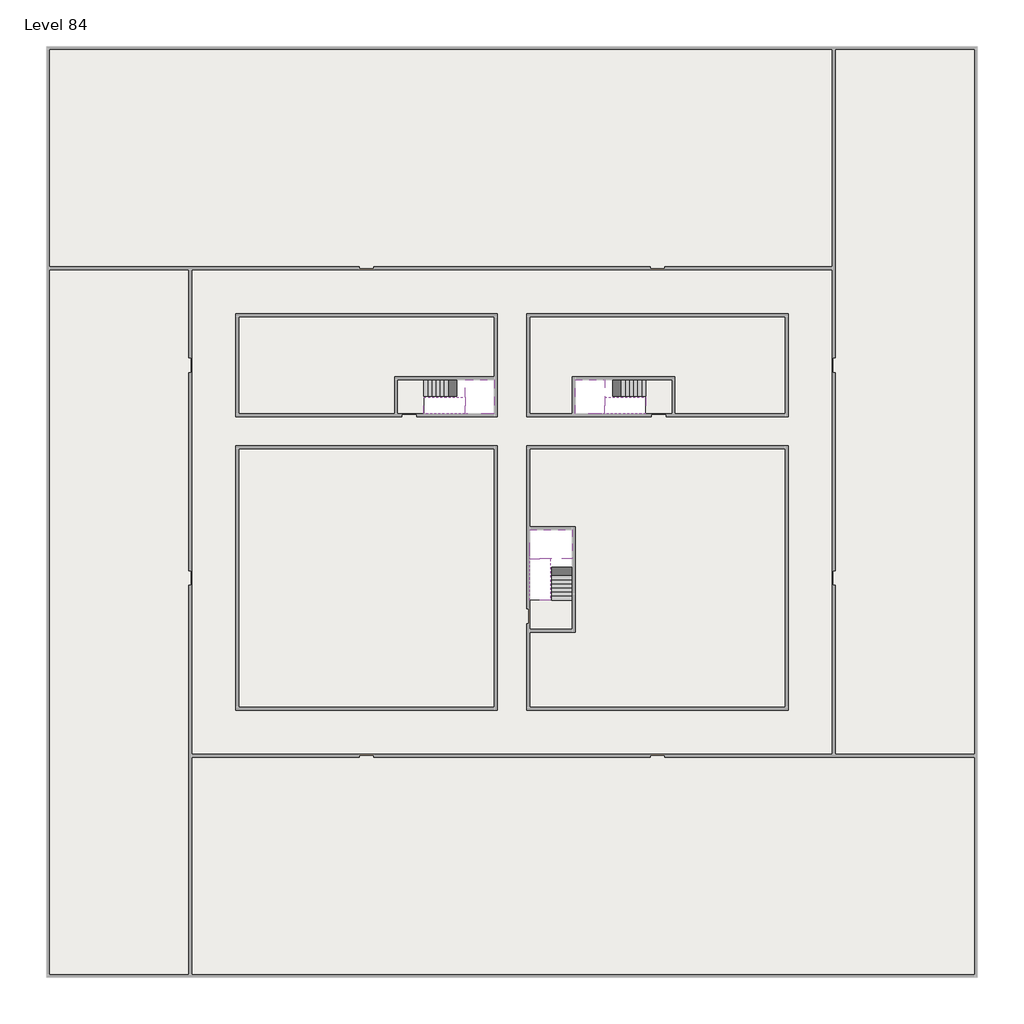
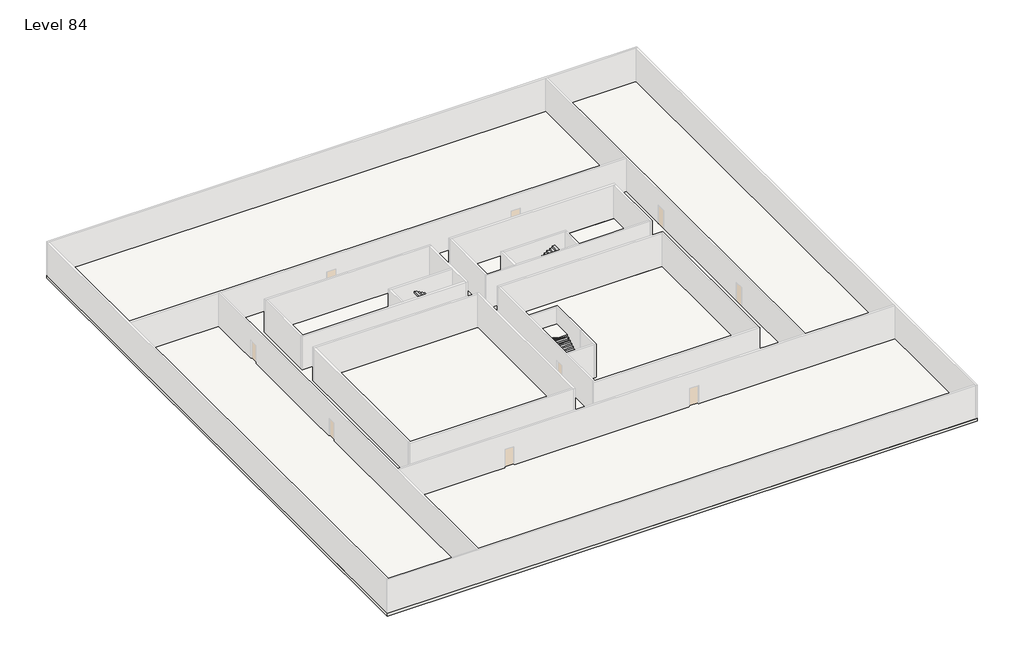
# One storey, part 2 of 2: 6 slabs, 6 stair flights.
"""IFC4 building model written with IfcOpenShell, lengths in millimetres."""

from ifc_helpers import new_model, si_unit, frame, origin, place, context, project, spatial, polyline, outline, extrude, faceted_brep, element, save

model = new_model("IFC4")

# Units and contexts
model_context = context("Model", 3, world=origin())
ifc_project = project(units=[si_unit("LENGTHUNIT", "METRE", prefix="MILLI")], contexts=[model_context])

# Site, building, storey
site = spatial("IfcSite", under=ifc_project)
building = spatial("IfcBuilding", under=site)
storey = spatial("IfcBuildingStorey", under=building, Name="Level 84", Elevation=315400.0)

# Slabs
placement = place(None, origin())
element("IfcSlab", 1, at=placement, inside=storey, context=model_context, shape_type="SweptSolid", body=[
    extrude(outline(polyline([(55890.1058784, -5518.09644), (55890.1058784, -68918.09644), (-7509.8941216, -68918.09644), (-7509.8941216, -5518.09644), (55890.1058784, -5518.09644)]), holes=[polyline([(22990.1058784, -23918.09644), (5590.1058784, -23918.09644), (5590.1058784, -30518.09644), (22990.1058784, -30518.09644), (22990.1058784, -23918.09644)]), polyline([(42990.1058784, -23918.09644), (25390.1058784, -23918.09644), (25390.1058784, -30518.09644), (42990.1058784, -30518.09644), (42990.1058784, -23918.09644)]), polyline([(25390.1058784, -50518.09644), (42790.1058784, -50518.09644), (42790.1058784, -32918.09644), (25390.1058784, -32918.09644), (25390.1058784, -50518.09644)]), polyline([(22990.1058784, -32918.09644), (5590.1058784, -32918.09644), (5590.1058784, -50518.09644), (22990.1058784, -50518.09644), (22990.1058784, -32918.09644)])]), frame((0.0, 0.0, 315100.0), z_axis=(0.0, 0.0, 1.0), x_axis=(1.0, 0.0, 0.0)), (0.0, 0.0, 1.0), 300.0),
])
element("IfcSlab", 2, at=placement, inside=storey, context=model_context, shape_type="SweptSolid", body=[
    extrude(outline(polyline([(22990.1058784, -23918.09644), (22990.1058784, -28018.09644), (16190.1058784, -28018.09644), (16190.1058784, -30518.09644), (5590.1058784, -30518.09644), (5590.1058784, -23918.09644), (22990.1058784, -23918.09644)])), frame((0.0, 0.0, 315100.0), z_axis=(0.0, 0.0, 1.0), x_axis=(1.0, 0.0, 0.0)), (0.0, 0.0, 1.0), 300.0),
    extrude(outline(polyline([(42790.1058784, -23918.09644), (42790.1058784, -30518.09644), (35290.1058784, -30518.09644), (35290.1058784, -28018.09644), (28490.1058784, -28018.09644), (28490.1058784, -30518.09644), (25390.1058784, -30518.09644), (25390.1058784, -23918.09644), (42790.1058784, -23918.09644)])), frame((0.0, 0.0, 315100.0), z_axis=(0.0, 0.0, 1.0), x_axis=(1.0, 0.0, 0.0)), (0.0, 0.0, 1.0), 300.0),
    extrude(outline(polyline([(22990.1058784, -32918.09644), (22990.1058784, -50518.09644), (5590.1058784, -50518.09644), (5590.1058784, -32918.09644), (22990.1058784, -32918.09644)])), frame((0.0, 0.0, 315100.0), z_axis=(0.0, 0.0, 1.0), x_axis=(1.0, 0.0, 0.0)), (0.0, 0.0, 1.0), 300.0),
    extrude(outline(polyline([(25390.1058784, -38218.09644), (25390.1058784, -32918.09644), (42790.1058784, -32918.09644), (42790.1058784, -50518.09644), (25390.1058784, -50518.09644), (25390.1058784, -45418.09644), (28490.1058784, -45418.09644), (28490.1058784, -38218.09644), (25390.1058784, -38218.09644)])), frame((0.0, 0.0, 315100.0), z_axis=(0.0, 0.0, 1.0), x_axis=(1.0, 0.0, 0.0)), (0.0, 0.0, 1.0), 300.0),
])
element("IfcSlab", 3, at=placement, inside=storey, context=model_context, shape_type="Brep", body=[
    faceted_brep([(26890.1058784, -40418.09644, 317300.0), (28290.1058784, -40418.09644, 317300.0), (28290.1058784, -40338.7100038, 317300.0), (28290.1058784, -38418.09644, 317300.0), (25390.1058784, -38418.09644, 317300.0), (25390.1058784, -40217.4828763, 317300.0), (25390.1058784, -40418.09644, 317300.0), (26790.1058784, -40418.09644, 317300.0), (26890.1058784, -40418.09644, 317000.0), (26890.1058784, -40418.09644, 316951.0278478), (28290.1058784, -40418.09644, 316951.0278478), (28290.1058784, -40418.09644, 317127.2727273), (28290.1058784, -40338.7100038, 317000.0), (28290.1058784, -38418.09644, 317000.0), (25390.1058784, -38418.09644, 317000.0), (25390.1058784, -40217.4828763, 317000.0), (25390.1058784, -40418.09644, 317123.7551205), (26790.1058784, -40418.09644, 317123.7551205), (26790.1058784, -40418.09644, 317000.0), (26790.1058784, -40217.4828763, 317000.0), (26890.1058784, -40338.7100038, 317000.0)], [[[0, 1, 2, 3, 4, 5, 6, 7]], [[1, 0, 8, 9, 10, 11]], [[1, 11, 10, 12, 13, 3, 2]], [[4, 3, 13, 14]], [[4, 14, 15, 16, 6, 5]], [[7, 6, 16, 17]], [[0, 7, 17, 18, 8]], [[18, 19, 15, 14, 13, 12, 20, 8]], [[19, 18, 17]], [[20, 12, 10, 9]], [[8, 20, 9]], [[15, 19, 17, 16]]]),
])
element("IfcSlab", 4, at=placement, inside=storey, context=model_context, shape_type="Brep", body=[
    faceted_brep([(20990.1058784, -28218.09644, 317300.0), (20990.1058784, -29318.09644, 317300.0), (20990.1058784, -29418.09644, 317300.0), (20990.1058784, -30518.09644, 317300.0), (21190.7194421, -30518.09644, 317300.0), (22990.1058784, -30518.09644, 317300.0), (22990.1058784, -28218.09644, 317300.0), (21069.4923146, -28218.09644, 317300.0), (20990.1058784, -28218.09644, 317127.2727273), (20990.1058784, -28218.09644, 316951.0278478), (20990.1058784, -29318.09644, 316951.0278478), (20990.1058784, -29318.09644, 317000.0), (20990.1058784, -29418.09644, 317000.0), (20990.1058784, -29418.09644, 317123.7551205), (20990.1058784, -30518.09644, 317123.7551205), (21190.7194421, -30518.09644, 317000.0), (22990.1058784, -30518.09644, 317000.0), (22990.1058784, -28218.09644, 317000.0), (21069.4923146, -28218.09644, 317000.0), (21190.7194421, -29418.09644, 317000.0), (21069.4923146, -29318.09644, 317000.0)], [[[0, 1, 2, 3, 4, 5, 6, 7]], [[1, 0, 8, 9, 10, 11]], [[2, 1, 11, 12, 13]], [[3, 2, 13, 14]], [[3, 14, 15, 16, 5, 4]], [[6, 5, 16, 17]], [[9, 8, 0, 7, 6, 17, 18]], [[19, 12, 11, 20, 18, 17, 16, 15]], [[12, 19, 13]], [[18, 20, 10, 9]], [[20, 11, 10]], [[19, 15, 14, 13]]]),
])
element("IfcSlab", 5, at=placement, inside=storey, context=model_context, shape_type="Brep", body=[
    faceted_brep([(30490.1058784, -29318.09644, 317300.0), (30490.1058784, -28218.09644, 317300.0), (30410.7194421, -28218.09644, 317300.0), (28490.1058784, -28218.09644, 317300.0), (28490.1058784, -30518.09644, 317300.0), (30289.4923146, -30518.09644, 317300.0), (30490.1058784, -30518.09644, 317300.0), (30490.1058784, -29418.09644, 317300.0), (30490.1058784, -29318.09644, 317000.0), (30490.1058784, -29318.09644, 316951.0278478), (30490.1058784, -28218.09644, 316951.0278478), (30490.1058784, -28218.09644, 317127.2727273), (30490.1058784, -29418.09644, 317123.7551205), (30490.1058784, -29418.09644, 317000.0), (30490.1058784, -30518.09644, 317123.7551205), (28490.1058784, -30518.09644, 317000.0), (30289.4923146, -30518.09644, 317000.0), (28490.1058784, -28218.09644, 317000.0), (30410.7194421, -28218.09644, 317000.0), (30289.4923146, -29418.09644, 317000.0), (30410.7194421, -29318.09644, 317000.0)], [[[0, 1, 2, 3, 4, 5, 6, 7]], [[1, 0, 8, 9, 10, 11]], [[0, 7, 12, 13, 8]], [[7, 6, 14, 12]], [[4, 15, 16, 14, 6, 5]], [[4, 3, 17, 15]], [[1, 11, 10, 18, 17, 3, 2]], [[13, 19, 16, 15, 17, 18, 20, 8]], [[20, 18, 10, 9]], [[8, 20, 9]], [[16, 19, 12, 14]], [[19, 13, 12]]]),
])
element("IfcSlab", 6, at=placement, inside=storey, context=model_context, shape_type="SweptSolid", body=[
    extrude(outline(polyline([(35090.1058784, -28218.09644), (35090.1058784, -30518.09644), (33290.1058784, -30518.09644), (33290.1058784, -28218.09644), (35090.1058784, -28218.09644)])), frame((0.0, 0.0, 315100.0), z_axis=(0.0, 0.0, 1.0), x_axis=(1.0, 0.0, 0.0)), (0.0, 0.0, 1.0), 300.0),
    extrude(outline(polyline([(18190.1058784, -28218.09644), (18190.1058784, -30518.09644), (16390.1058784, -30518.09644), (16390.1058784, -28218.09644), (18190.1058784, -28218.09644)])), frame((0.0, 0.0, 315100.0), z_axis=(0.0, 0.0, 1.0), x_axis=(1.0, 0.0, 0.0)), (0.0, 0.0, 1.0), 300.0),
    extrude(outline(polyline([(28290.1058784, -43218.09644), (28290.1058784, -45218.09644), (25390.1058784, -45218.09644), (25390.1058784, -43218.09644), (28290.1058784, -43218.09644)])), frame((0.0, 0.0, 315100.0), z_axis=(0.0, 0.0, 1.0), x_axis=(1.0, 0.0, 0.0)), (0.0, 0.0, 1.0), 300.0),
])

# Stair flights
element("IfcStairFlight", 7, at=placement, inside=storey, context=model_context, shape_type="Brep", body=[
    faceted_brep([(26890.1058784, -42938.09644, 315572.7272727), (26890.1058784, -43218.09644, 315572.7272727), (28290.1058784, -43218.09644, 315572.7272727), (28290.1058784, -42938.09644, 315572.7272727), (26890.1058784, -42938.09644, 315400.0), (26890.1058784, -43218.09644, 315400.0), (28290.1058784, -43218.09644, 315400.0), (28290.1058784, -42938.09644, 315400.0), (26890.1058784, -42658.09644, 315745.4545455), (26890.1058784, -42938.09644, 315745.4545455), (28290.1058784, -42938.09644, 315745.4545455), (28290.1058784, -42658.09644, 315745.4545455), (26890.1058784, -42658.09644, 315569.209666), (26890.1058784, -42932.3942143, 315400.0), (28290.1058784, -42932.3942143, 315400.0), (28290.1058784, -42658.09644, 315569.209666), (26890.1058784, -42378.09644, 315918.1818182), (26890.1058784, -42658.09644, 315918.1818182), (28290.1058784, -42658.09644, 315918.1818182), (28290.1058784, -42378.09644, 315918.1818182), (26890.1058784, -42378.09644, 315741.9369387), (28290.1058784, -42378.09644, 315741.9369387), (26890.1058784, -42098.09644, 316090.9090909), (26890.1058784, -42378.09644, 316090.9090909), (28290.1058784, -42378.09644, 316090.9090909), (28290.1058784, -42098.09644, 316090.9090909), (26890.1058784, -42098.09644, 315914.6642114), (28290.1058784, -42098.09644, 315914.6642114), (26890.1058784, -41818.09644, 316263.6363636), (26890.1058784, -42098.09644, 316263.6363636), (28290.1058784, -42098.09644, 316263.6363636), (28290.1058784, -41818.09644, 316263.6363636), (26890.1058784, -41818.09644, 316087.3914841), (28290.1058784, -41818.09644, 316087.3914841), (26890.1058784, -41538.09644, 316436.3636364), (26890.1058784, -41818.09644, 316436.3636364), (28290.1058784, -41818.09644, 316436.3636364), (28290.1058784, -41538.09644, 316436.3636364), (26890.1058784, -41538.09644, 316260.1187569), (28290.1058784, -41538.09644, 316260.1187569), (26890.1058784, -41258.09644, 316609.0909091), (26890.1058784, -41538.09644, 316609.0909091), (28290.1058784, -41538.09644, 316609.0909091), (28290.1058784, -41258.09644, 316609.0909091), (26890.1058784, -41258.09644, 316432.8460296), (28290.1058784, -41258.09644, 316432.8460296), (26890.1058784, -40978.09644, 316781.8181818), (26890.1058784, -41258.09644, 316781.8181818), (28290.1058784, -41258.09644, 316781.8181818), (28290.1058784, -40978.09644, 316781.8181818), (26890.1058784, -40978.09644, 316605.5733023), (28290.1058784, -40978.09644, 316605.5733023), (26890.1058784, -40698.09644, 316954.5454545), (26890.1058784, -40978.09644, 316954.5454545), (28290.1058784, -40978.09644, 316954.5454545), (28290.1058784, -40698.09644, 316954.5454545), (26890.1058784, -40698.09644, 316778.3005751), (28290.1058784, -40698.09644, 316778.3005751), (26890.1058784, -40418.09644, 317127.2727273), (26890.1058784, -40698.09644, 317127.2727273), (28290.1058784, -40698.09644, 317127.2727273), (28290.1058784, -40418.09644, 317127.2727273), (26890.1058784, -40418.09644, 317000.0), (26890.1058784, -40418.09644, 316951.0278478), (28290.1058784, -40418.09644, 316951.0278478)], [[[0, 1, 2, 3]], [[1, 0, 4, 5]], [[2, 1, 5, 6]], [[3, 2, 6, 7]], [[8, 9, 10, 11]], [[4, 0, 9, 8, 12, 13]], [[0, 3, 10, 9]], [[3, 7, 14, 15, 11, 10]], [[16, 17, 18, 19]], [[17, 16, 20, 12, 8]], [[8, 11, 18, 17]], [[19, 18, 11, 15, 21]], [[22, 23, 24, 25]], [[23, 22, 26, 20, 16]], [[16, 19, 24, 23]], [[25, 24, 19, 21, 27]], [[28, 29, 30, 31]], [[29, 28, 32, 26, 22]], [[22, 25, 30, 29]], [[31, 30, 25, 27, 33]], [[34, 35, 36, 37]], [[35, 34, 38, 32, 28]], [[28, 31, 36, 35]], [[37, 36, 31, 33, 39]], [[40, 41, 42, 43]], [[41, 40, 44, 38, 34]], [[34, 37, 42, 41]], [[43, 42, 37, 39, 45]], [[46, 47, 48, 49]], [[47, 46, 50, 44, 40]], [[40, 43, 48, 47]], [[49, 48, 43, 45, 51]], [[52, 53, 54, 55]], [[53, 52, 56, 50, 46]], [[46, 49, 54, 53]], [[55, 54, 49, 51, 57]], [[58, 59, 60, 61]], [[59, 58, 62, 63, 56, 52]], [[52, 55, 60, 59]], [[61, 60, 55, 57, 64]], [[58, 61, 64, 63, 62]], [[5, 4, 13, 14, 7, 6]], [[14, 13, 12, 20, 26, 32, 38, 44, 50, 56, 63, 64, 57, 51, 45, 39, 33, 27, 21, 15]]]),
])
element("IfcStairFlight", 8, at=placement, inside=storey, context=model_context, shape_type="Brep", body=[
    faceted_brep([(26790.1058784, -40698.09644, 317472.7272727), (26790.1058784, -40418.09644, 317472.7272727), (25390.1058784, -40418.09644, 317472.7272727), (25390.1058784, -40698.09644, 317472.7272727), (26790.1058784, -40698.09644, 317296.4823932), (26790.1058784, -40418.09644, 317123.7551205), (25390.1058784, -40418.09644, 317123.7551205), (25390.1058784, -40418.09644, 317300.0), (25390.1058784, -40698.09644, 317296.4823932), (26790.1058784, -40978.09644, 317645.4545455), (26790.1058784, -40698.09644, 317645.4545455), (25390.1058784, -40698.09644, 317645.4545455), (25390.1058784, -40978.09644, 317645.4545455), (26790.1058784, -40978.09644, 317469.209666), (25390.1058784, -40978.09644, 317469.209666), (26790.1058784, -41258.09644, 317818.1818182), (26790.1058784, -40978.09644, 317818.1818182), (25390.1058784, -40978.09644, 317818.1818182), (25390.1058784, -41258.09644, 317818.1818182), (26790.1058784, -41258.09644, 317641.9369387), (25390.1058784, -41258.09644, 317641.9369387), (26790.1058784, -41538.09644, 317990.9090909), (26790.1058784, -41258.09644, 317990.9090909), (25390.1058784, -41258.09644, 317990.9090909), (25390.1058784, -41538.09644, 317990.9090909), (26790.1058784, -41538.09644, 317814.6642114), (25390.1058784, -41538.09644, 317814.6642114), (26790.1058784, -41818.09644, 318163.6363636), (26790.1058784, -41538.09644, 318163.6363636), (25390.1058784, -41538.09644, 318163.6363636), (25390.1058784, -41818.09644, 318163.6363636), (26790.1058784, -41818.09644, 317987.3914841), (25390.1058784, -41818.09644, 317987.3914841), (26790.1058784, -42098.09644, 318336.3636364), (26790.1058784, -41818.09644, 318336.3636364), (25390.1058784, -41818.09644, 318336.3636364), (25390.1058784, -42098.09644, 318336.3636364), (26790.1058784, -42098.09644, 318160.1187569), (25390.1058784, -42098.09644, 318160.1187569), (26790.1058784, -42378.09644, 318509.0909091), (26790.1058784, -42098.09644, 318509.0909091), (25390.1058784, -42098.09644, 318509.0909091), (25390.1058784, -42378.09644, 318509.0909091), (26790.1058784, -42378.09644, 318332.8460296), (25390.1058784, -42378.09644, 318332.8460296), (26790.1058784, -42658.09644, 318681.8181818), (26790.1058784, -42378.09644, 318681.8181818), (25390.1058784, -42378.09644, 318681.8181818), (25390.1058784, -42658.09644, 318681.8181818), (26790.1058784, -42658.09644, 318505.5733023), (25390.1058784, -42658.09644, 318505.5733023), (26790.1058784, -42938.09644, 318854.5454545), (26790.1058784, -42658.09644, 318854.5454545), (25390.1058784, -42658.09644, 318854.5454545), (25390.1058784, -42938.09644, 318854.5454545), (26790.1058784, -42938.09644, 318678.3005751), (25390.1058784, -42938.09644, 318678.3005751), (26790.1058784, -43218.09644, 319027.2727273), (26790.1058784, -42938.09644, 319027.2727273), (25390.1058784, -42938.09644, 319027.2727273), (25390.1058784, -43218.09644, 319027.2727273), (26790.1058784, -43218.09644, 318851.0278478), (25390.1058784, -43218.09644, 318851.0278478)], [[[0, 1, 2, 3]], [[1, 0, 4, 5]], [[2, 1, 5, 6, 7]], [[3, 2, 7, 6, 8]], [[9, 10, 11, 12]], [[10, 9, 13, 4, 0]], [[11, 10, 0, 3]], [[12, 11, 3, 8, 14]], [[15, 16, 17, 18]], [[16, 15, 19, 13, 9]], [[17, 16, 9, 12]], [[18, 17, 12, 14, 20]], [[21, 22, 23, 24]], [[22, 21, 25, 19, 15]], [[23, 22, 15, 18]], [[24, 23, 18, 20, 26]], [[27, 28, 29, 30]], [[28, 27, 31, 25, 21]], [[29, 28, 21, 24]], [[30, 29, 24, 26, 32]], [[33, 34, 35, 36]], [[34, 33, 37, 31, 27]], [[35, 34, 27, 30]], [[36, 35, 30, 32, 38]], [[39, 40, 41, 42]], [[40, 39, 43, 37, 33]], [[41, 40, 33, 36]], [[42, 41, 36, 38, 44]], [[45, 46, 47, 48]], [[46, 45, 49, 43, 39]], [[47, 46, 39, 42]], [[48, 47, 42, 44, 50]], [[51, 52, 53, 54]], [[52, 51, 55, 49, 45]], [[53, 52, 45, 48]], [[54, 53, 48, 50, 56]], [[57, 58, 59, 60]], [[58, 57, 61, 55, 51]], [[59, 58, 51, 54]], [[60, 59, 54, 56, 62]], [[57, 60, 62, 61]], [[5, 4, 13, 19, 25, 31, 37, 43, 49, 55, 61, 62, 56, 50, 44, 38, 32, 26, 20, 14, 8, 6]]]),
])
element("IfcStairFlight", 9, at=placement, inside=storey, context=model_context, shape_type="Brep", body=[
    faceted_brep([(18470.1058784, -28218.09644, 315572.7272727), (18190.1058784, -28218.09644, 315572.7272727), (18190.1058784, -29318.09644, 315572.7272727), (18470.1058784, -29318.09644, 315572.7272727), (18470.1058784, -28218.09644, 315400.0), (18190.1058784, -28218.09644, 315400.0), (18190.1058784, -29318.09644, 315400.0), (18470.1058784, -29318.09644, 315400.0), (18750.1058784, -28218.09644, 315745.4545455), (18470.1058784, -28218.09644, 315745.4545455), (18470.1058784, -29318.09644, 315745.4545455), (18750.1058784, -29318.09644, 315745.4545455), (18750.1058784, -28218.09644, 315569.209666), (18475.8081041, -28218.09644, 315400.0), (18475.8081041, -29318.09644, 315400.0), (18750.1058784, -29318.09644, 315569.209666), (19030.1058784, -28218.09644, 315918.1818182), (18750.1058784, -28218.09644, 315918.1818182), (18750.1058784, -29318.09644, 315918.1818182), (19030.1058784, -29318.09644, 315918.1818182), (19030.1058784, -28218.09644, 315741.9369387), (19030.1058784, -29318.09644, 315741.9369387), (19310.1058784, -28218.09644, 316090.9090909), (19030.1058784, -28218.09644, 316090.9090909), (19030.1058784, -29318.09644, 316090.9090909), (19310.1058784, -29318.09644, 316090.9090909), (19310.1058784, -28218.09644, 315914.6642114), (19310.1058784, -29318.09644, 315914.6642114), (19590.1058784, -28218.09644, 316263.6363636), (19310.1058784, -28218.09644, 316263.6363636), (19310.1058784, -29318.09644, 316263.6363636), (19590.1058784, -29318.09644, 316263.6363636), (19590.1058784, -28218.09644, 316087.3914841), (19590.1058784, -29318.09644, 316087.3914841), (19870.1058784, -28218.09644, 316436.3636364), (19590.1058784, -28218.09644, 316436.3636364), (19590.1058784, -29318.09644, 316436.3636364), (19870.1058784, -29318.09644, 316436.3636364), (19870.1058784, -28218.09644, 316260.1187569), (19870.1058784, -29318.09644, 316260.1187569), (20150.1058784, -28218.09644, 316609.0909091), (19870.1058784, -28218.09644, 316609.0909091), (19870.1058784, -29318.09644, 316609.0909091), (20150.1058784, -29318.09644, 316609.0909091), (20150.1058784, -28218.09644, 316432.8460296), (20150.1058784, -29318.09644, 316432.8460296), (20430.1058784, -28218.09644, 316781.8181818), (20150.1058784, -28218.09644, 316781.8181818), (20150.1058784, -29318.09644, 316781.8181818), (20430.1058784, -29318.09644, 316781.8181818), (20430.1058784, -28218.09644, 316605.5733023), (20430.1058784, -29318.09644, 316605.5733023), (20710.1058784, -28218.09644, 316954.5454545), (20430.1058784, -28218.09644, 316954.5454545), (20430.1058784, -29318.09644, 316954.5454545), (20710.1058784, -29318.09644, 316954.5454545), (20710.1058784, -28218.09644, 316778.3005751), (20710.1058784, -29318.09644, 316778.3005751), (20990.1058784, -28218.09644, 317127.2727273), (20710.1058784, -28218.09644, 317127.2727273), (20710.1058784, -29318.09644, 317127.2727273), (20990.1058784, -29318.09644, 317127.2727273), (20990.1058784, -28218.09644, 316951.0278478), (20990.1058784, -29318.09644, 316951.0278478), (20990.1058784, -29318.09644, 317000.0)], [[[0, 1, 2, 3]], [[1, 0, 4, 5]], [[2, 1, 5, 6]], [[3, 2, 6, 7]], [[8, 9, 10, 11]], [[4, 0, 9, 8, 12, 13]], [[0, 3, 10, 9]], [[3, 7, 14, 15, 11, 10]], [[16, 17, 18, 19]], [[17, 16, 20, 12, 8]], [[8, 11, 18, 17]], [[19, 18, 11, 15, 21]], [[22, 23, 24, 25]], [[23, 22, 26, 20, 16]], [[16, 19, 24, 23]], [[25, 24, 19, 21, 27]], [[28, 29, 30, 31]], [[29, 28, 32, 26, 22]], [[22, 25, 30, 29]], [[31, 30, 25, 27, 33]], [[34, 35, 36, 37]], [[35, 34, 38, 32, 28]], [[28, 31, 36, 35]], [[37, 36, 31, 33, 39]], [[40, 41, 42, 43]], [[41, 40, 44, 38, 34]], [[34, 37, 42, 41]], [[43, 42, 37, 39, 45]], [[46, 47, 48, 49]], [[47, 46, 50, 44, 40]], [[40, 43, 48, 47]], [[49, 48, 43, 45, 51]], [[52, 53, 54, 55]], [[53, 52, 56, 50, 46]], [[46, 49, 54, 53]], [[55, 54, 49, 51, 57]], [[58, 59, 60, 61]], [[59, 58, 62, 56, 52]], [[52, 55, 60, 59]], [[61, 60, 55, 57, 63, 64]], [[58, 61, 64, 63, 62]], [[5, 4, 13, 14, 7, 6]], [[14, 13, 12, 20, 26, 32, 38, 44, 50, 56, 62, 63, 57, 51, 45, 39, 33, 27, 21, 15]]]),
])
element("IfcStairFlight", 10, at=placement, inside=storey, context=model_context, shape_type="Brep", body=[
    faceted_brep([(20710.1058784, -30518.09644, 317472.7272727), (20990.1058784, -30518.09644, 317472.7272727), (20990.1058784, -29418.09644, 317472.7272727), (20710.1058784, -29418.09644, 317472.7272727), (20710.1058784, -30518.09644, 317296.4823932), (20990.1058784, -30518.09644, 317123.7551205), (20990.1058784, -30518.09644, 317300.0), (20990.1058784, -29418.09644, 317123.7551205), (20710.1058784, -29418.09644, 317296.4823932), (20430.1058784, -30518.09644, 317645.4545455), (20710.1058784, -30518.09644, 317645.4545455), (20710.1058784, -29418.09644, 317645.4545455), (20430.1058784, -29418.09644, 317645.4545455), (20430.1058784, -30518.09644, 317469.209666), (20430.1058784, -29418.09644, 317469.209666), (20150.1058784, -30518.09644, 317818.1818182), (20430.1058784, -30518.09644, 317818.1818182), (20430.1058784, -29418.09644, 317818.1818182), (20150.1058784, -29418.09644, 317818.1818182), (20150.1058784, -30518.09644, 317641.9369387), (20150.1058784, -29418.09644, 317641.9369387), (19870.1058784, -30518.09644, 317990.9090909), (20150.1058784, -30518.09644, 317990.9090909), (20150.1058784, -29418.09644, 317990.9090909), (19870.1058784, -29418.09644, 317990.9090909), (19870.1058784, -30518.09644, 317814.6642114), (19870.1058784, -29418.09644, 317814.6642114), (19590.1058784, -30518.09644, 318163.6363636), (19870.1058784, -30518.09644, 318163.6363636), (19870.1058784, -29418.09644, 318163.6363636), (19590.1058784, -29418.09644, 318163.6363636), (19590.1058784, -30518.09644, 317987.3914841), (19590.1058784, -29418.09644, 317987.3914841), (19310.1058784, -30518.09644, 318336.3636364), (19590.1058784, -30518.09644, 318336.3636364), (19590.1058784, -29418.09644, 318336.3636364), (19310.1058784, -29418.09644, 318336.3636364), (19310.1058784, -30518.09644, 318160.1187569), (19310.1058784, -29418.09644, 318160.1187569), (19030.1058784, -30518.09644, 318509.0909091), (19310.1058784, -30518.09644, 318509.0909091), (19310.1058784, -29418.09644, 318509.0909091), (19030.1058784, -29418.09644, 318509.0909091), (19030.1058784, -30518.09644, 318332.8460296), (19030.1058784, -29418.09644, 318332.8460296), (18750.1058784, -30518.09644, 318681.8181818), (19030.1058784, -30518.09644, 318681.8181818), (19030.1058784, -29418.09644, 318681.8181818), (18750.1058784, -29418.09644, 318681.8181818), (18750.1058784, -30518.09644, 318505.5733023), (18750.1058784, -29418.09644, 318505.5733023), (18470.1058784, -30518.09644, 318854.5454545), (18750.1058784, -30518.09644, 318854.5454545), (18750.1058784, -29418.09644, 318854.5454545), (18470.1058784, -29418.09644, 318854.5454545), (18470.1058784, -30518.09644, 318678.3005751), (18470.1058784, -29418.09644, 318678.3005751), (18190.1058784, -30518.09644, 319027.2727273), (18470.1058784, -30518.09644, 319027.2727273), (18470.1058784, -29418.09644, 319027.2727273), (18190.1058784, -29418.09644, 319027.2727273), (18190.1058784, -30518.09644, 318851.0278478), (18190.1058784, -29418.09644, 318851.0278478)], [[[0, 1, 2, 3]], [[1, 0, 4, 5, 6]], [[2, 1, 6, 5, 7]], [[3, 2, 7, 8]], [[9, 10, 11, 12]], [[10, 9, 13, 4, 0]], [[11, 10, 0, 3]], [[12, 11, 3, 8, 14]], [[15, 16, 17, 18]], [[16, 15, 19, 13, 9]], [[17, 16, 9, 12]], [[18, 17, 12, 14, 20]], [[21, 22, 23, 24]], [[22, 21, 25, 19, 15]], [[23, 22, 15, 18]], [[24, 23, 18, 20, 26]], [[27, 28, 29, 30]], [[28, 27, 31, 25, 21]], [[29, 28, 21, 24]], [[30, 29, 24, 26, 32]], [[33, 34, 35, 36]], [[34, 33, 37, 31, 27]], [[35, 34, 27, 30]], [[36, 35, 30, 32, 38]], [[39, 40, 41, 42]], [[40, 39, 43, 37, 33]], [[41, 40, 33, 36]], [[42, 41, 36, 38, 44]], [[45, 46, 47, 48]], [[46, 45, 49, 43, 39]], [[47, 46, 39, 42]], [[48, 47, 42, 44, 50]], [[51, 52, 53, 54]], [[52, 51, 55, 49, 45]], [[53, 52, 45, 48]], [[54, 53, 48, 50, 56]], [[57, 58, 59, 60]], [[58, 57, 61, 55, 51]], [[59, 58, 51, 54]], [[60, 59, 54, 56, 62]], [[57, 60, 62, 61]], [[5, 4, 13, 19, 25, 31, 37, 43, 49, 55, 61, 62, 56, 50, 44, 38, 32, 26, 20, 14, 8, 7]]]),
])
element("IfcStairFlight", 11, at=placement, inside=storey, context=model_context, shape_type="Brep", body=[
    faceted_brep([(33010.1058784, -29318.09644, 315572.7272727), (33290.1058784, -29318.09644, 315572.7272727), (33290.1058784, -28218.09644, 315572.7272727), (33010.1058784, -28218.09644, 315572.7272727), (33290.1058784, -28218.09644, 315400.0), (33010.1058784, -28218.09644, 315400.0), (33290.1058784, -29318.09644, 315400.0), (33010.1058784, -29318.09644, 315400.0), (32730.1058784, -29318.09644, 315745.4545455), (33010.1058784, -29318.09644, 315745.4545455), (33010.1058784, -28218.09644, 315745.4545455), (32730.1058784, -28218.09644, 315745.4545455), (33004.4036527, -28218.09644, 315400.0), (32730.1058784, -28218.09644, 315569.209666), (32730.1058784, -29318.09644, 315569.209666), (33004.4036527, -29318.09644, 315400.0), (32450.1058784, -29318.09644, 315918.1818182), (32730.1058784, -29318.09644, 315918.1818182), (32730.1058784, -28218.09644, 315918.1818182), (32450.1058784, -28218.09644, 315918.1818182), (32450.1058784, -28218.09644, 315741.9369387), (32450.1058784, -29318.09644, 315741.9369387), (32170.1058784, -29318.09644, 316090.9090909), (32450.1058784, -29318.09644, 316090.9090909), (32450.1058784, -28218.09644, 316090.9090909), (32170.1058784, -28218.09644, 316090.9090909), (32170.1058784, -28218.09644, 315914.6642114), (32170.1058784, -29318.09644, 315914.6642114), (31890.1058784, -29318.09644, 316263.6363636), (32170.1058784, -29318.09644, 316263.6363636), (32170.1058784, -28218.09644, 316263.6363636), (31890.1058784, -28218.09644, 316263.6363636), (31890.1058784, -28218.09644, 316087.3914841), (31890.1058784, -29318.09644, 316087.3914841), (31610.1058784, -29318.09644, 316436.3636364), (31890.1058784, -29318.09644, 316436.3636364), (31890.1058784, -28218.09644, 316436.3636364), (31610.1058784, -28218.09644, 316436.3636364), (31610.1058784, -28218.09644, 316260.1187569), (31610.1058784, -29318.09644, 316260.1187569), (31330.1058784, -29318.09644, 316609.0909091), (31610.1058784, -29318.09644, 316609.0909091), (31610.1058784, -28218.09644, 316609.0909091), (31330.1058784, -28218.09644, 316609.0909091), (31330.1058784, -28218.09644, 316432.8460296), (31330.1058784, -29318.09644, 316432.8460296), (31050.1058784, -29318.09644, 316781.8181818), (31330.1058784, -29318.09644, 316781.8181818), (31330.1058784, -28218.09644, 316781.8181818), (31050.1058784, -28218.09644, 316781.8181818), (31050.1058784, -28218.09644, 316605.5733023), (31050.1058784, -29318.09644, 316605.5733023), (30770.1058784, -29318.09644, 316954.5454545), (31050.1058784, -29318.09644, 316954.5454545), (31050.1058784, -28218.09644, 316954.5454545), (30770.1058784, -28218.09644, 316954.5454545), (30770.1058784, -28218.09644, 316778.3005751), (30770.1058784, -29318.09644, 316778.3005751), (30490.1058784, -29318.09644, 317127.2727273), (30770.1058784, -29318.09644, 317127.2727273), (30770.1058784, -28218.09644, 317127.2727273), (30490.1058784, -28218.09644, 317127.2727273), (30490.1058784, -28218.09644, 316951.0278478), (30490.1058784, -29318.09644, 317000.0), (30490.1058784, -29318.09644, 316951.0278478)], [[[0, 1, 2, 3]], [[3, 2, 4, 5]], [[2, 1, 6, 4]], [[1, 0, 7, 6]], [[8, 9, 10, 11]], [[3, 5, 12, 13, 11, 10]], [[0, 3, 10, 9]], [[7, 0, 9, 8, 14, 15]], [[16, 17, 18, 19]], [[19, 18, 11, 13, 20]], [[8, 11, 18, 17]], [[17, 16, 21, 14, 8]], [[22, 23, 24, 25]], [[25, 24, 19, 20, 26]], [[16, 19, 24, 23]], [[23, 22, 27, 21, 16]], [[28, 29, 30, 31]], [[31, 30, 25, 26, 32]], [[22, 25, 30, 29]], [[29, 28, 33, 27, 22]], [[34, 35, 36, 37]], [[37, 36, 31, 32, 38]], [[28, 31, 36, 35]], [[35, 34, 39, 33, 28]], [[40, 41, 42, 43]], [[43, 42, 37, 38, 44]], [[34, 37, 42, 41]], [[41, 40, 45, 39, 34]], [[46, 47, 48, 49]], [[49, 48, 43, 44, 50]], [[40, 43, 48, 47]], [[47, 46, 51, 45, 40]], [[52, 53, 54, 55]], [[55, 54, 49, 50, 56]], [[46, 49, 54, 53]], [[53, 52, 57, 51, 46]], [[58, 59, 60, 61]], [[61, 60, 55, 56, 62]], [[52, 55, 60, 59]], [[59, 58, 63, 64, 57, 52]], [[58, 61, 62, 64, 63]], [[6, 7, 15, 12, 5, 4]], [[12, 15, 14, 21, 27, 33, 39, 45, 51, 57, 64, 62, 56, 50, 44, 38, 32, 26, 20, 13]]]),
])
element("IfcStairFlight", 12, at=placement, inside=storey, context=model_context, shape_type="Brep", body=[
    faceted_brep([(30770.1058784, -29418.09644, 317472.7272727), (30490.1058784, -29418.09644, 317472.7272727), (30490.1058784, -30518.09644, 317472.7272727), (30770.1058784, -30518.09644, 317472.7272727), (30490.1058784, -30518.09644, 317300.0), (30490.1058784, -30518.09644, 317123.7551205), (30770.1058784, -30518.09644, 317296.4823932), (30490.1058784, -29418.09644, 317123.7551205), (30770.1058784, -29418.09644, 317296.4823932), (31050.1058784, -29418.09644, 317645.4545455), (30770.1058784, -29418.09644, 317645.4545455), (30770.1058784, -30518.09644, 317645.4545455), (31050.1058784, -30518.09644, 317645.4545455), (31050.1058784, -30518.09644, 317469.209666), (31050.1058784, -29418.09644, 317469.209666), (31330.1058784, -29418.09644, 317818.1818182), (31050.1058784, -29418.09644, 317818.1818182), (31050.1058784, -30518.09644, 317818.1818182), (31330.1058784, -30518.09644, 317818.1818182), (31330.1058784, -30518.09644, 317641.9369387), (31330.1058784, -29418.09644, 317641.9369387), (31610.1058784, -29418.09644, 317990.9090909), (31330.1058784, -29418.09644, 317990.9090909), (31330.1058784, -30518.09644, 317990.9090909), (31610.1058784, -30518.09644, 317990.9090909), (31610.1058784, -30518.09644, 317814.6642114), (31610.1058784, -29418.09644, 317814.6642114), (31890.1058784, -29418.09644, 318163.6363636), (31610.1058784, -29418.09644, 318163.6363636), (31610.1058784, -30518.09644, 318163.6363636), (31890.1058784, -30518.09644, 318163.6363636), (31890.1058784, -30518.09644, 317987.3914841), (31890.1058784, -29418.09644, 317987.3914841), (32170.1058784, -29418.09644, 318336.3636364), (31890.1058784, -29418.09644, 318336.3636364), (31890.1058784, -30518.09644, 318336.3636364), (32170.1058784, -30518.09644, 318336.3636364), (32170.1058784, -30518.09644, 318160.1187569), (32170.1058784, -29418.09644, 318160.1187569), (32450.1058784, -29418.09644, 318509.0909091), (32170.1058784, -29418.09644, 318509.0909091), (32170.1058784, -30518.09644, 318509.0909091), (32450.1058784, -30518.09644, 318509.0909091), (32450.1058784, -30518.09644, 318332.8460296), (32450.1058784, -29418.09644, 318332.8460296), (32730.1058784, -29418.09644, 318681.8181818), (32450.1058784, -29418.09644, 318681.8181818), (32450.1058784, -30518.09644, 318681.8181818), (32730.1058784, -30518.09644, 318681.8181818), (32730.1058784, -30518.09644, 318505.5733023), (32730.1058784, -29418.09644, 318505.5733023), (33010.1058784, -29418.09644, 318854.5454545), (32730.1058784, -29418.09644, 318854.5454545), (32730.1058784, -30518.09644, 318854.5454545), (33010.1058784, -30518.09644, 318854.5454545), (33010.1058784, -30518.09644, 318678.3005751), (33010.1058784, -29418.09644, 318678.3005751), (33290.1058784, -29418.09644, 319027.2727273), (33010.1058784, -29418.09644, 319027.2727273), (33010.1058784, -30518.09644, 319027.2727273), (33290.1058784, -30518.09644, 319027.2727273), (33290.1058784, -30518.09644, 318851.0278478), (33290.1058784, -29418.09644, 318851.0278478)], [[[0, 1, 2, 3]], [[3, 2, 4, 5, 6]], [[2, 1, 7, 5, 4]], [[1, 0, 8, 7]], [[9, 10, 11, 12]], [[12, 11, 3, 6, 13]], [[11, 10, 0, 3]], [[10, 9, 14, 8, 0]], [[15, 16, 17, 18]], [[18, 17, 12, 13, 19]], [[17, 16, 9, 12]], [[16, 15, 20, 14, 9]], [[21, 22, 23, 24]], [[24, 23, 18, 19, 25]], [[23, 22, 15, 18]], [[22, 21, 26, 20, 15]], [[27, 28, 29, 30]], [[30, 29, 24, 25, 31]], [[29, 28, 21, 24]], [[28, 27, 32, 26, 21]], [[33, 34, 35, 36]], [[36, 35, 30, 31, 37]], [[35, 34, 27, 30]], [[34, 33, 38, 32, 27]], [[39, 40, 41, 42]], [[42, 41, 36, 37, 43]], [[41, 40, 33, 36]], [[40, 39, 44, 38, 33]], [[45, 46, 47, 48]], [[48, 47, 42, 43, 49]], [[47, 46, 39, 42]], [[46, 45, 50, 44, 39]], [[51, 52, 53, 54]], [[54, 53, 48, 49, 55]], [[53, 52, 45, 48]], [[52, 51, 56, 50, 45]], [[57, 58, 59, 60]], [[60, 59, 54, 55, 61]], [[59, 58, 51, 54]], [[58, 57, 62, 56, 51]], [[57, 60, 61, 62]], [[7, 8, 14, 20, 26, 32, 38, 44, 50, 56, 62, 61, 55, 49, 43, 37, 31, 25, 19, 13, 6, 5]]]),
])

save(model, "model.ifc")
